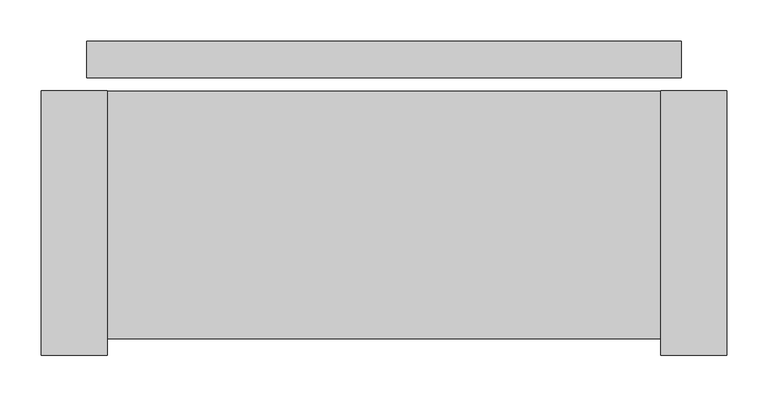
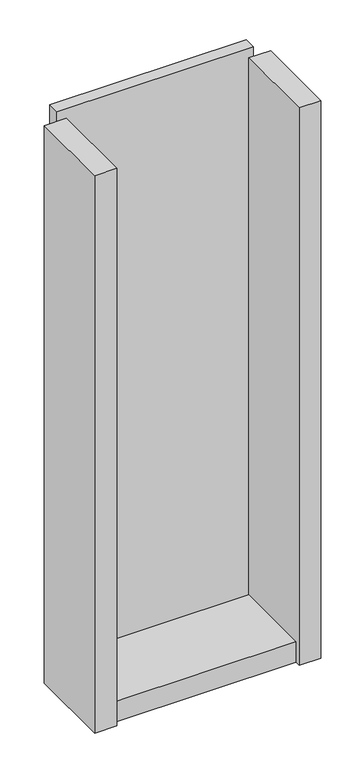
"""IFC4 building model written with IfcOpenShell, lengths in millimetres: plate geometry."""

from ifc_helpers import new_model, si_unit, frame, origin, origin_with_axes, place, context, project, spatial, polyline, outline, extrude, source, transform, mapped, element, save


def plate_ab317487(model_context):
    return source(origin(), model_context, "Body", "SweptSolid", [
        extrude(outline(polyline([(360.0, 0.0), (360.0, -44.0), (-360.0, -44.0), (-360.0, 0.0), (360.0, 0.0)])), origin_with_axes(), (0.0, 0.0, 1.0), 2132.0),
        extrude(outline(polyline([(-335.0, -60.0), (-335.0, -380.0), (-415.0, -380.0), (-415.0, -60.0), (-335.0, -60.0)])), frame((0.0, 0.0, -55.0), z_axis=(0.0, 0.0, 1.0), x_axis=(1.0, 0.0, 0.0)), (0.0, 0.0, 1.0), 2162.0),
        extrude(outline(polyline([(335.0, -360.0), (-335.0, -360.0), (-335.0, -60.0), (335.0, -60.0), (335.0, -360.0)])), frame((0.0, 0.0, -55.0), z_axis=(0.0, 0.0, 1.0), x_axis=(1.0, 0.0, 0.0)), (0.0, 0.0, 1.0), 80.0),
        extrude(outline(polyline([(415.0, -60.0), (415.0, -380.0), (335.0, -380.0), (335.0, -60.0), (415.0, -60.0)])), frame((0.0, 0.0, -55.0), z_axis=(0.0, 0.0, 1.0), x_axis=(1.0, 0.0, 0.0)), (0.0, 0.0, 1.0), 2162.0),
    ])


if __name__ == "__main__":
    model = new_model("IFC4")
    model_context = context("Model", 3, world=origin())
    ifc_project = project(units=[si_unit("LENGTHUNIT", "METRE", prefix="MILLI")], contexts=[model_context])
    site = spatial("IfcSite", under=ifc_project)
    building = spatial("IfcBuilding", under=site)
    placement = place(None, origin())
    plate_shape = plate_ab317487(model_context)
    element("IfcPlate", 1, at=placement, inside=building, context=model_context, shape_type="MappedRepresentation", body=[
        mapped(plate_shape, transform((0.0, 0.0, 0.0), x_axis=(1.0, 0.0, 0.0), y_axis=(0.0, 1.0, 0.0), z_axis=(0.0, 0.0, 1.0))),
    ])
    save(model, "model.ifc")
